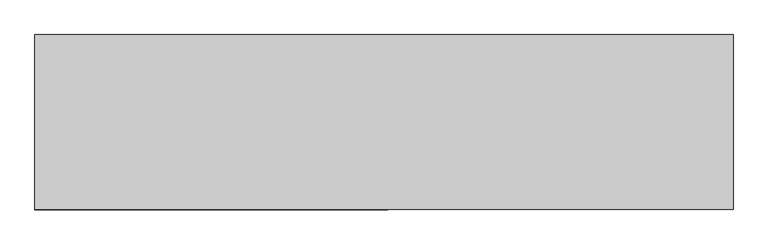
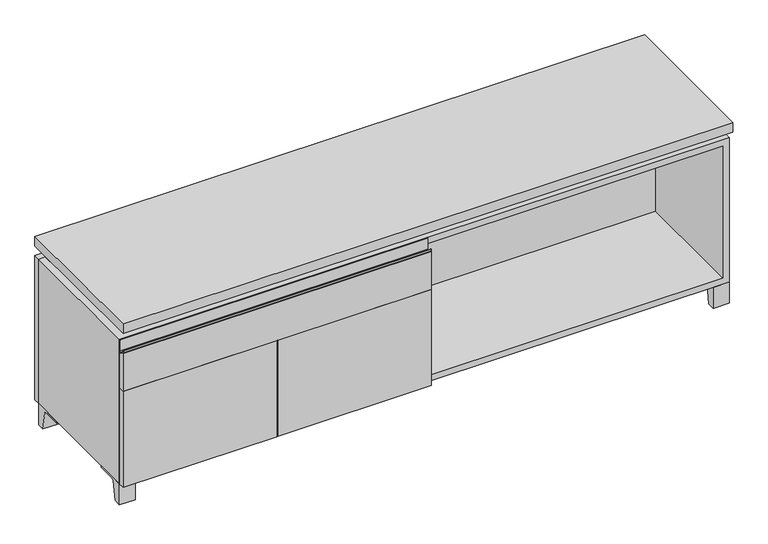
"""IFC4 building model written with IfcOpenShell, lengths in millimetres: furniture geometry."""

import ifcopenshell
import ifcopenshell.guid

model = None  # the IFC model being written
_history = None  # IfcOwnerHistory: only IFC2X3 demands one
_inside = {}  # id of a spatial element -> (the spatial element, [elements in it])
_under = {}  # id of a project, library or spatial element -> (it, [spatial elements below it])
_declared = {}  # id of a project -> (the project, [libraries it declares])
_typed = {}  # id of a type object -> (the type object, [elements of that type])
_made_of = {}  # id of a material, layer set ... -> (it, [elements and type objects made of it])


def new_model(schema):
    """Start an empty IFC model of exactly this schema.

    Asked for "IFC4X3", IfcOpenShell would pick the latest addendum, in which some entities
    have other attributes; the version numbers below select the first issue.
    IFC2X3 requires an IfcOwnerHistory on every rooted entity: one is made here for all.
    """
    global model, _history
    if schema == "IFC4X3":
        model = ifcopenshell.file(schema_version=(4, 3, 0, 0))
    else:
        model = ifcopenshell.file(schema=schema)
    _inside.clear()
    _under.clear()
    _declared.clear()
    _typed.clear()
    _made_of.clear()
    _history = None
    if model.schema == "IFC2X3":
        org = make("IfcOrganization", Name="unknown")
        user = make(
            "IfcPersonAndOrganization",
            ThePerson=make("IfcPerson", FamilyName="unknown"),
            TheOrganization=org,
        )
        app = make(
            "IfcApplication",
            ApplicationDeveloper=org,
            Version="unknown",
            ApplicationFullName="unknown",
            ApplicationIdentifier="unknown",
        )
        _history = make(
            "IfcOwnerHistory",
            OwningUser=user,
            OwningApplication=app,
            ChangeAction="ADDED",
            CreationDate=0,
        )
    return model


def make(cls, **values):
    """One entity of the class cls with the attributes given. An attribute that is None is left unset."""
    return model.create_entity(
        cls, **{name: value for name, value in values.items() if value is not None}
    )


def rooted(cls, **values):
    """An entity with a GlobalId (a new one), such as an element, a storey or a relation."""
    return make(cls, GlobalId=ifcopenshell.guid.new(), OwnerHistory=_history, **values)


def si_unit(unit_type, name, prefix=None):
    """IfcSIUnit, for example si_unit("LENGTHUNIT", "METRE", prefix="MILLI")."""
    return make("IfcSIUnit", UnitType=unit_type, Prefix=prefix, Name=name)


def assignment(units):
    """IfcUnitAssignment: the units of a project."""
    return None if units is None else make("IfcUnitAssignment", Units=units)


def point(xyz):
    """IfcCartesianPoint."""
    return None if xyz is None else make("IfcCartesianPoint", Coordinates=xyz)


def direction(xyz):
    """IfcDirection."""
    return None if xyz is None else make("IfcDirection", DirectionRatios=xyz)


def frame(location, z_axis=None, x_axis=None):
    """IfcAxis2Placement3D, a coordinate frame: its origin and axes. An axis left out is left unset."""
    return make(
        "IfcAxis2Placement3D",
        Location=point(location),
        Axis=direction(z_axis),
        RefDirection=direction(x_axis),
    )


def frame_2d(location, x_axis=None):
    """IfcAxis2Placement2D, a coordinate frame in the plane: its origin and x axis."""
    return make(
        "IfcAxis2Placement2D", Location=point(location), RefDirection=direction(x_axis)
    )


def origin():
    """The frame at (0, 0, 0) with its axes left unset."""
    return frame((0.0, 0.0, 0.0))


def place(relative_to, where):
    """IfcLocalPlacement: puts the frame where relative to a parent placement (None: the world)."""
    return make(
        "IfcLocalPlacement", PlacementRelTo=relative_to, RelativePlacement=where
    )


def context(
    kind, dimensions, precision=None, world=None, true_north=None, identifier=None
):
    """IfcGeometricRepresentationContext, for example the 3D "Model" context."""
    return make(
        "IfcGeometricRepresentationContext",
        ContextIdentifier=identifier,
        ContextType=kind,
        CoordinateSpaceDimension=dimensions,
        Precision=precision,
        WorldCoordinateSystem=world,
        TrueNorth=true_north,
    )


def project(units=None, contexts=None):
    """IfcProject with its units and contexts."""
    return rooted(
        "IfcProject",
        Name="project",
        RepresentationContexts=contexts,
        UnitsInContext=assignment(units),
    )


def spatial(cls, under=None, at=None, **own):
    """A site, building, storey or space (cls), placed at a placement, below another one or the project."""
    s = rooted(cls, ObjectPlacement=at, **own)
    if under is not None:
        _under.setdefault(under.id(), (under, []))[1].append(s)
    return s


def polyline(points):
    """IfcPolyline through the points."""
    return make("IfcPolyline", Points=[point(p) for p in points])


def circle_curve(where, radius):
    """IfcCircle in the frame where."""
    return make("IfcCircle", Position=where, Radius=radius)


def trimmed(basis, trim1, trim2, sense, master):
    """IfcTrimmedCurve: the piece of a basis curve between two trims."""
    return make(
        "IfcTrimmedCurve",
        BasisCurve=basis,
        Trim1=trim1,
        Trim2=trim2,
        SenseAgreement=sense,
        MasterRepresentation=master,
    )


def segment(curve, same_sense, transition):
    """IfcCompositeCurveSegment."""
    return make(
        "IfcCompositeCurveSegment",
        Transition=transition,
        SameSense=same_sense,
        ParentCurve=curve,
    )


def composite_curve(segments, self_intersect=None):
    """IfcCompositeCurve: segments joined end to end."""
    return make("IfcCompositeCurve", Segments=segments, SelfIntersect=self_intersect)


def outline(outer, holes=None, kind="AREA"):
    """IfcArbitraryClosedProfileDef: a profile drawn as a closed curve; with holes, ...WithVoids."""
    if holes is None:
        return make("IfcArbitraryClosedProfileDef", ProfileType=kind, OuterCurve=outer)
    return make(
        "IfcArbitraryProfileDefWithVoids",
        ProfileType=kind,
        OuterCurve=outer,
        InnerCurves=holes,
    )


def extrude(swept, where, along, depth):
    """IfcExtrudedAreaSolid: the profile swept, set in the frame where, extruded along a direction by depth."""
    return make(
        "IfcExtrudedAreaSolid",
        SweptArea=swept,
        Position=where,
        ExtrudedDirection=direction(along),
        Depth=depth,
    )


def faces_of(points, faces, orient=None, outer=None):
    """IfcFace entities. A face is a list of loops; a loop is a list of indices into points, from 0.

    orient and outer hold one flag for each loop. By default every Orientation is true, the
    first loop of a face is its IfcFaceOuterBound and the others are IfcFaceBound.
    """
    made = []
    for i, loops in enumerate(faces):
        bounds = []
        for j, loop in enumerate(loops):
            is_outer = j == 0 if outer is None else outer[i][j]
            bounds.append(
                make(
                    "IfcFaceOuterBound" if is_outer else "IfcFaceBound",
                    Bound=make("IfcPolyLoop", Polygon=[points[k] for k in loop]),
                    Orientation=True if orient is None else orient[i][j],
                )
            )
        made.append(make("IfcFace", Bounds=bounds))
    return made


def faceted_brep(points, faces, orient=None, outer=None, voids=None):
    """IfcFacetedBrep: a solid bounded by flat faces; with voids (closed shells), ...WithVoids."""
    shared = [point(p) for p in points]
    hull = make("IfcClosedShell", CfsFaces=faces_of(shared, faces, orient, outer))
    if voids is None:
        return make("IfcFacetedBrep", Outer=hull)
    return make(
        "IfcFacetedBrepWithVoids",
        Outer=hull,
        Voids=[
            make(cls, CfsFaces=faces_of(shared, fs, o, b)) for cls, fs, o, b in voids
        ],
    )


def shape(context_of_items, identifier, shape_type, items):
    """IfcShapeRepresentation: the items that make up one representation, for example the "Body"."""
    return make(
        "IfcShapeRepresentation",
        ContextOfItems=context_of_items,
        RepresentationIdentifier=identifier,
        RepresentationType=shape_type,
        Items=items,
    )


def source(mapping_origin, context_of_items, identifier, shape_type, items):
    """IfcRepresentationMap: a shape defined once, which mapped items show again and again."""
    return make(
        "IfcRepresentationMap",
        MappingOrigin=mapping_origin,
        MappedRepresentation=shape(context_of_items, identifier, shape_type, items),
    )


def transform(
    local_origin,
    x_axis=None,
    y_axis=None,
    z_axis=None,
    scale=None,
    scale2=None,
    scale3=None,
    uniform=True,
):
    """IfcCartesianTransformationOperator3D, or its non-uniform kind. x_axis, y_axis, z_axis: its Axis1, 2, 3."""
    if uniform:
        return make(
            "IfcCartesianTransformationOperator3D",
            Axis1=direction(x_axis),
            Axis2=direction(y_axis),
            LocalOrigin=point(local_origin),
            Scale=scale,
            Axis3=direction(z_axis),
        )
    return make(
        "IfcCartesianTransformationOperator3DnonUniform",
        Axis1=direction(x_axis),
        Axis2=direction(y_axis),
        LocalOrigin=point(local_origin),
        Scale=scale,
        Axis3=direction(z_axis),
        Scale2=scale2,
        Scale3=scale3,
    )


def mapped(mapping_source, mapping_target):
    """IfcMappedItem: shows the shape of a source again, moved by a transform."""
    return make(
        "IfcMappedItem", MappingSource=mapping_source, MappingTarget=mapping_target
    )


def made_of(thing, what):
    """Note that an element or type object is made of a material, layer set ...; save() writes the relation."""
    if what is not None:
        _made_of.setdefault(what.id(), (what, []))[1].append(thing)
    return thing


def element(
    cls,
    number,
    at=None,
    inside=None,
    cuts=None,
    type_object=None,
    material=None,
    context=None,
    identifier="Body",
    shape_type=None,
    held_by="IfcProductDefinitionShape",
    body=None,
    shapes=None,
    **own,
):
    """One element of the class cls, such as IfcWall. Its Tag is "e" and its number.

    at: its placement. inside: the storey or other place that contains it. cuts: it is an
    opening in that element (IfcRelVoidsElement). A single representation is given by context,
    identifier, shape_type and body (its items); several are given by shapes. held_by: the class
    of the entity that holds the representations. save() writes the other relations.
    """
    e = rooted(cls, Tag="e%d" % number, ObjectPlacement=at, **own)
    if body is not None:
        shapes = [shape(context, identifier, shape_type, body)]
    if shapes is not None:
        e.Representation = make(held_by, Representations=shapes)
    if inside is not None:
        _inside.setdefault(inside.id(), (inside, []))[1].append(e)
    if cuts is not None:
        rooted(
            "IfcRelVoidsElement", RelatingBuildingElement=cuts, RelatedOpeningElement=e
        )
    if type_object is not None:
        _typed.setdefault(type_object.id(), (type_object, []))[1].append(e)
    return made_of(e, material)


def aggregate(whole, parts):
    """IfcRelAggregates: a whole, such as a stair, and the parts it consists of."""
    return rooted("IfcRelAggregates", RelatingObject=whole, RelatedObjects=parts)


def save(model, path):
    """Write the relations noted so far, then the file.

    IfcRelAggregates (storeys below a building ...), IfcRelContainedInSpatialStructure (elements
    in a storey), IfcRelDefinesByType, IfcRelAssociatesMaterial and IfcRelDeclares: one each for
    every whole, place, type object, material and project.
    """
    for whole, parts in _under.values():
        aggregate(whole, parts)
    for where, things in _inside.values():
        rooted(
            "IfcRelContainedInSpatialStructure",
            RelatedElements=things,
            RelatingStructure=where,
        )
    for kind, things in _typed.values():
        rooted("IfcRelDefinesByType", RelatedObjects=things, RelatingType=kind)
    for what, things in _made_of.values():
        rooted("IfcRelAssociatesMaterial", RelatedObjects=things, RelatingMaterial=what)
    for by, libraries in _declared.values():
        rooted("IfcRelDeclares", RelatingContext=by, RelatedDefinitions=libraries)
    model.write(path)


def furniture_47e3fc30(model_context):
    return source(origin(), model_context, "Body", "SolidModel", [
        extrude(outline(composite_curve([segment(polyline([(-146.05, 481.0125), (-165.1, 492.125)]), True, "CONTINUOUS"), segment(trimmed(circle_curve(frame_2d((-163.9001571, 494.1818735)), 2.38125), [point((-165.1, 492.125))], [point((-166.2814071, 494.1818735))], False, "CARTESIAN"), True, "CONTINUOUS"), segment(polyline([(-166.2814071, 494.1818735), (-166.2814071, 499.26875)]), True, "CONTINUOUS"), segment(trimmed(circle_curve(frame_2d((-165.4876571, 499.26875)), 0.79375), [point((-166.2814071, 499.26875))], [point((-164.6939071, 499.26875))], False, "CARTESIAN"), True, "CONTINUOUS"), segment(polyline([(-164.6939071, 499.26875), (-164.6939071, 494.1818735)]), True, "CONTINUOUS"), segment(trimmed(circle_curve(frame_2d((-163.9001571, 494.1818735)), 0.79375), [point((-164.6939071, 494.1818735))], [point((-164.3001047, 493.496249))], True, "CARTESIAN"), True, "CONTINUOUS"), segment(polyline([(-164.3001047, 493.496249), (-152.4122905, 486.5616907)]), True, "CONTINUOUS"), segment(trimmed(circle_curve(frame_2d((-150.8125, 489.3041887)), 3.175), [point((-152.4122905, 486.5616907))], [point((-147.6375, 489.3041887))], True, "CARTESIAN"), True, "CONTINUOUS"), segment(polyline([(-147.6375, 489.3041887), (-147.6375, 523.08125)]), True, "CONTINUOUS"), segment(trimmed(circle_curve(frame_2d((-146.84375, 523.08125)), 0.79375), [point((-147.6375, 523.08125))], [point((-146.05, 523.08125))], False, "CARTESIAN"), True, "CONTINUOUS"), segment(polyline([(-146.05, 523.08125), (-146.05, 481.0125)]), True, "CONTINUOUS")], self_intersect=False)), frame((-912.7986094, 0.0, 0.0), z_axis=(1.0, 0.0, 0.0), x_axis=(0.0, 1.0, 0.0)), (0.0, 0.0, 1.0), 922.3375),
        extrude(outline(polyline([(-146.05, 371.475), (-165.1, 371.475), (-165.1, 492.125), (-146.05, 481.0125), (-146.05, 371.475)])), frame((-912.7986094, 0.0, 0.0), z_axis=(1.0, 0.0, 0.0), x_axis=(0.0, 1.0, 0.0)), (0.0, 0.0, 1.0), 922.3375),
        extrude(outline(composite_curve([segment(polyline([(44.9791531, 0.0), (22.225, 0.0), (22.225, 66.675), (117.475, 66.675), (117.475, 61.8963321), (60.6744655, 61.8963321)]), True, "CONTINUOUS"), segment(trimmed(circle_curve(frame_2d((60.6744655, 55.5463321)), 6.35), [point((60.6744655, 61.8963321))], [point((54.4108641, 56.5902656))], True, "CARTESIAN"), True, "CONTINUOUS"), segment(polyline([(54.4108641, 56.5902656), (44.9791531, 0.0)]), True, "CONTINUOUS")], self_intersect=False)), frame((-23.7986094, 0.0, 0.0), z_axis=(1.0, 0.0, 0.0), x_axis=(0.0, 1.0, 0.0)), (0.0, 0.0, 1.0), 47.625),
        extrude(outline(composite_curve([segment(polyline([(-123.2958469, 0.0), (-146.05, 0.0), (-146.05, 66.675), (-50.8, 66.675), (-50.8, 61.8963321), (-107.6005345, 61.8963321)]), True, "CONTINUOUS"), segment(trimmed(circle_curve(frame_2d((-107.6005345, 55.5463321)), 6.35), [point((-107.6005345, 61.8963321))], [point((-113.8641359, 56.5902656))], True, "CARTESIAN"), True, "CONTINUOUS"), segment(polyline([(-113.8641359, 56.5902656), (-123.2958469, 0.0)]), True, "CONTINUOUS")], self_intersect=False)), frame((865.2013906, 0.0, 0.0), z_axis=(1.0, 0.0, 0.0), x_axis=(0.0, 1.0, 0.0)), (0.0, 0.0, 1.0), 47.625),
        extrude(outline(composite_curve([segment(polyline([(250.2958469, 0.0), (240.8641359, 56.5902656)]), True, "CONTINUOUS"), segment(trimmed(circle_curve(frame_2d((234.6005345, 55.5463321)), 6.35), [point((240.8641359, 56.5902656))], [point((234.6005345, 61.8963321))], True, "CARTESIAN"), True, "CONTINUOUS"), segment(polyline([(234.6005345, 61.8963321), (177.8, 61.8963321), (177.8, 66.675), (273.05, 66.675), (273.05, 0.0), (250.2958469, 0.0)]), True, "CONTINUOUS")], self_intersect=False)), frame((865.2013906, 0.0, 0.0), z_axis=(1.0, 0.0, 0.0), x_axis=(0.0, 1.0, 0.0)), (0.0, 0.0, 1.0), 47.625),
        extrude(outline(composite_curve([segment(polyline([(-123.2958469, 0.0), (-146.05, 0.0), (-146.05, 66.675), (-50.8, 66.675), (-50.8, 61.8963321), (-107.6005345, 61.8963321)]), True, "CONTINUOUS"), segment(trimmed(circle_curve(frame_2d((-107.6005345, 55.5463321)), 6.35), [point((-107.6005345, 61.8963321))], [point((-113.8641359, 56.5902656))], True, "CARTESIAN"), True, "CONTINUOUS"), segment(polyline([(-113.8641359, 56.5902656), (-123.2958469, 0.0)]), True, "CONTINUOUS")], self_intersect=False)), frame((-912.7986094, 0.0, 0.0), z_axis=(1.0, 0.0, 0.0), x_axis=(0.0, 1.0, 0.0)), (0.0, 0.0, 1.0), 47.625),
        extrude(outline(composite_curve([segment(polyline([(250.2958469, 0.0), (240.8641359, 56.5902656)]), True, "CONTINUOUS"), segment(trimmed(circle_curve(frame_2d((234.6005345, 55.5463321)), 6.35), [point((240.8641359, 56.5902656))], [point((234.6005345, 61.8963321))], True, "CARTESIAN"), True, "CONTINUOUS"), segment(polyline([(234.6005345, 61.8963321), (177.8, 61.8963321), (177.8, 66.675), (273.05, 66.675), (273.05, 0.0), (250.2958469, 0.0)]), True, "CONTINUOUS")], self_intersect=False)), frame((-912.7986094, 0.0, 0.0), z_axis=(1.0, 0.0, 0.0), x_axis=(0.0, 1.0, 0.0)), (0.0, 0.0, 1.0), 47.625),
        faceted_brep([(-912.7986094, -146.05, 66.675), (912.8125, -146.05, 66.675), (912.8125, -146.05, 523.875), (-912.7986094, -146.05, 523.875), (-893.7486094, -146.05, 85.725), (-893.7486094, -146.05, 504.825), (893.7694453, -146.05, 504.825), (893.7486094, -146.05, 85.725), (-912.7986094, 273.05, 66.675), (-912.7986094, 273.05, 523.875), (-893.7486094, 273.05, 523.875), (-893.7486094, 273.05, 85.725), (893.7486094, 273.05, 85.725), (893.7486094, 273.05, 523.875), (912.8125, 273.05, 523.875), (912.8125, 273.05, 66.675), (893.7486094, 247.65, 523.875), (-893.7416641, 247.65, 523.875), (-893.7486094, 247.65, 504.825), (893.7486094, 247.65, 504.825)], [[[0, 1, 2, 3], [4, 5, 6, 7]], [[8, 9, 10, 11, 12, 13, 14, 15]], [[1, 0, 8, 15]], [[2, 1, 15, 14]], [[3, 2, 14, 13, 16, 17, 10, 9]], [[0, 3, 9, 8]], [[11, 10, 17, 18, 5, 4]], [[13, 12, 7, 6, 19, 16]], [[4, 7, 12, 11]], [[6, 5, 18, 19]], [[17, 16, 19, 18]]]),
        extrude(outline(polyline([(912.8263906, -165.1), (-912.7986094, -165.1), (-912.7986094, 292.1), (912.8263906, 292.1), (912.8263906, -165.1)])), frame((0.0, 0.0, 554.0375), z_axis=(0.0, 0.0, 1.0), x_axis=(1.0, 0.0, 0.0)), (0.0, 0.0, 1.0), 30.1625),
        faceted_brep([(7.9513906, -69.85, 554.0375), (7.9513906, -69.85, 523.875), (7.9513906, 53.975, 523.875), (7.9513906, 53.975, 554.0375), (7.9513906, 196.85, 523.875), (7.9513906, 196.85, 554.0375), (7.9513906, 73.025, 554.0375), (7.9513906, 73.025, 523.875), (-7.9236094, 196.85, 554.0375), (-7.9236094, 196.85, 523.875), (-7.9236094, 73.025, 523.875), (-7.9236094, 73.025, 554.0375), (-7.9236094, -69.85, 523.875), (-7.9236094, -69.85, 554.0375), (-7.9236094, 53.975, 554.0375), (-7.9236094, 53.975, 523.875), (-871.4958281, 73.025, 554.0375), (-871.5166641, 247.65, 554.0375), (-887.3916641, 247.65, 554.0375), (-887.3916641, -120.65, 554.0375), (-871.5166641, -120.65, 554.0375), (-871.5166641, 53.975, 554.0375), (871.5236094, 53.975, 554.0375), (871.5236094, -120.65, 554.0375), (887.3986094, -120.65, 554.0375), (887.3986094, 247.65, 554.0375), (871.5236094, 247.65, 554.0375), (871.5236094, 73.025, 554.0375), (-871.4958281, 53.975, 523.875), (-871.5166641, -120.65, 523.875), (-887.3916641, -120.65, 523.875), (-887.3916641, 247.65, 523.875), (-871.5166641, 247.65, 523.875), (-871.5166641, 73.025, 523.875), (871.5236094, 73.025, 523.875), (871.5236094, 247.65, 523.875), (887.3986094, 247.65, 523.875), (887.3986094, -120.65, 523.875), (871.5236094, -120.65, 523.875), (871.5236094, 53.975, 523.875)], [[[0, 1, 2, 3]], [[4, 5, 6, 7]], [[8, 9, 10, 11]], [[12, 13, 14, 15]], [[5, 8, 11, 16, 17, 18, 19, 20, 21, 14, 13, 0, 3, 22, 23, 24, 25, 26, 27, 6]], [[1, 12, 15, 28, 29, 30, 31, 32, 33, 10, 9, 4, 7, 34, 35, 36, 37, 38, 39, 2]], [[5, 4, 9, 8]], [[1, 0, 13, 12]], [[6, 27, 34, 7]], [[22, 3, 2, 39]], [[20, 29, 28, 21]], [[32, 17, 16, 33]], [[18, 31, 30, 19]], [[29, 20, 19, 30]], [[17, 32, 31, 18]], [[26, 35, 34, 27]], [[38, 23, 22, 39]], [[25, 24, 37, 36]], [[23, 38, 37, 24]], [[35, 26, 25, 36]], [[16, 11, 10, 33]], [[14, 21, 28, 15]]]),
        extrude(outline(polyline([(9.5388906, 203.2), (9.5388906, -146.05), (-9.5111094, -146.05), (-9.5111094, 203.2), (9.5388906, 203.2)])), frame((0.0, 0.0, 85.725), z_axis=(0.0, 0.0, 1.0), x_axis=(1.0, 0.0, 0.0)), (0.0, 0.0, 1.0), 419.1),
        extrude(outline(polyline([(912.8263906, 273.05), (-912.7986094, 273.05), (-912.7986094, 292.1), (912.8263906, 292.1), (912.8263906, 273.05)])), frame((0.0, 0.0, 66.675), z_axis=(0.0, 0.0, 1.0), x_axis=(1.0, 0.0, 0.0)), (0.0, 0.0, 1.0), 457.2),
        extrude(outline(polyline([(-893.7416641, 203.2), (-893.7416641, 209.55), (893.7694453, 209.55), (893.7694453, 203.2), (-893.7416641, 203.2)])), frame((0.0, 0.0, 85.725), z_axis=(0.0, 0.0, 1.0), x_axis=(1.0, 0.0, 0.0)), (0.0, 0.0, 1.0), 419.1),
        extrude(outline(polyline([(9.5388906, -165.1), (-450.0423594, -165.1), (-450.0423594, -146.05), (9.5388906, -146.05), (9.5388906, -165.1)])), frame((0.0, 0.0, 66.675), z_axis=(0.0, 0.0, 1.0), x_axis=(1.0, 0.0, 0.0)), (0.0, 0.0, 1.0), 304.8),
        extrude(outline(polyline([(-453.2173594, -165.1), (-912.7986094, -165.1), (-912.7986094, -146.05), (-453.2173594, -146.05), (-453.2173594, -165.1)])), frame((0.0, 0.0, 66.675), z_axis=(0.0, 0.0, 1.0), x_axis=(1.0, 0.0, 0.0)), (0.0, 0.0, 1.0), 304.8),
    ])


if __name__ == "__main__":
    model = new_model("IFC4")
    model_context = context("Model", 3, world=origin())
    ifc_project = project(units=[si_unit("LENGTHUNIT", "METRE", prefix="MILLI")], contexts=[model_context])
    site = spatial("IfcSite", under=ifc_project)
    building = spatial("IfcBuilding", under=site)
    placement = place(None, origin())
    furniture_shape = furniture_47e3fc30(model_context)
    element("IfcFurniture", 1, at=placement, inside=building, context=model_context, shape_type="MappedRepresentation", body=[
        mapped(furniture_shape, transform((0.0, 0.0, 0.0), x_axis=(1.0, 0.0, 0.0), y_axis=(0.0, 1.0, 0.0), z_axis=(0.0, 0.0, 1.0))),
    ])
    save(model, "model.ifc")
